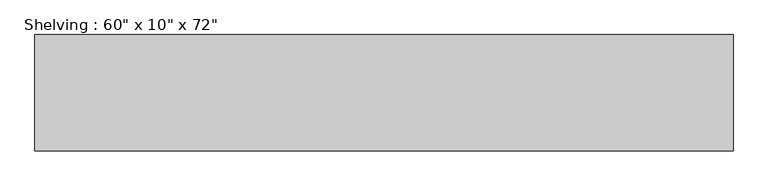
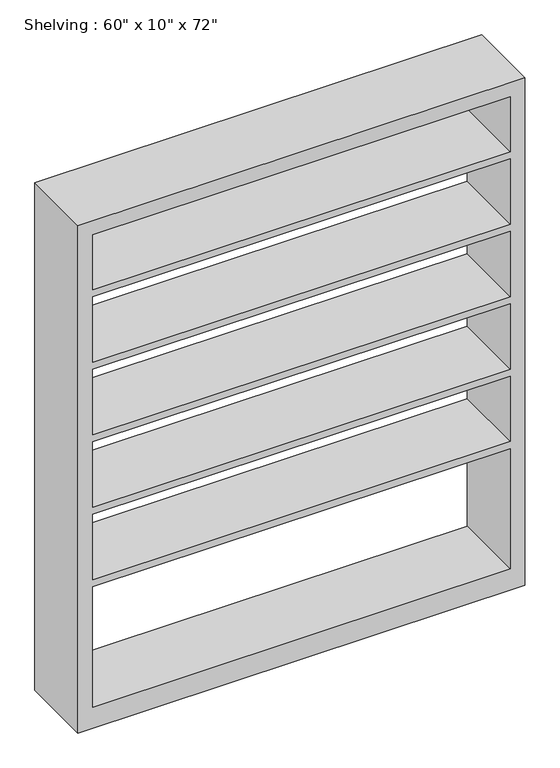
"""IFC4 building model written with IfcOpenShell, lengths in millimetres: furniture geometry."""

from ifc_helpers import new_model, si_unit, frame, origin, place, context, project, spatial, polyline, outline, extrude, source, transform, mapped, element, save


def furniture_ae3ec8dd(model_context):
    return source(origin(), model_context, "Body", "SweptSolid", [
        extrude(outline(polyline([(0.0, 762.0), (1828.8, 762.0), (1828.8, -762.0), (0.0, -762.0), (0.0, 762.0)]), holes=[polyline([(1778.0, 711.2), (1580.2428571, 711.2), (1580.2428571, -711.2), (1778.0, -711.2), (1778.0, 711.2)]), polyline([(76.2, 711.2), (76.2, -711.2), (509.8142857, -711.2), (509.8142857, 711.2), (76.2, 711.2)]), polyline([(1057.7285714, -711.2), (1293.5857143, -711.2), (1293.5857143, 711.2), (1057.7285714, 711.2), (1057.7285714, -711.2)]), polyline([(1554.8428571, 711.2), (1318.9857143, 711.2), (1318.9857143, -711.2), (1554.8428571, -711.2), (1554.8428571, 711.2)]), polyline([(1032.3285714, 711.2), (796.4714286, 711.2), (796.4714286, -711.2), (1032.3285714, -711.2), (1032.3285714, 711.2)]), polyline([(771.0714286, 711.2), (535.2142857, 711.2), (535.2142857, -711.2), (771.0714286, -711.2), (771.0714286, 711.2)])]), frame((0.0, -431.8, 0.0), z_axis=(0.0, 1.0, 0.0), x_axis=(0.0, 0.0, 1.0)), (0.0, 0.0, 1.0), 254.0),
    ])


if __name__ == "__main__":
    model = new_model("IFC4")
    model_context = context("Model", 3, world=origin())
    ifc_project = project(units=[si_unit("LENGTHUNIT", "METRE", prefix="MILLI")], contexts=[model_context])
    site = spatial("IfcSite", under=ifc_project)
    building = spatial("IfcBuilding", under=site)
    placement = place(None, origin())
    furniture_shape = furniture_ae3ec8dd(model_context)
    element("IfcFurniture", 1, ObjectType="Shelving : 60\" x 10\" x 72\"", at=placement, inside=building, context=model_context, shape_type="MappedRepresentation", body=[
        mapped(furniture_shape, transform((0.0, 0.0, 0.0), x_axis=(1.0, 0.0, 0.0), y_axis=(0.0, 1.0, 0.0), z_axis=(0.0, 0.0, 1.0))),
    ])
    save(model, "model.ifc")
